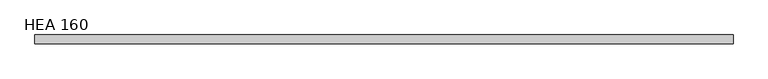
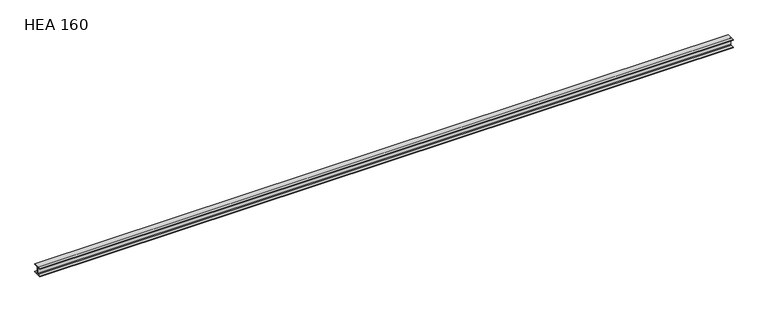
"""IFC4 building model written with IfcOpenShell, lengths in millimetres: beam geometry, HEA 160."""

from ifc_helpers import new_model, si_unit, point, frame, frame_2d, origin, place, context, project, spatial, polyline, circle_curve, trimmed, segment, composite_curve, outline, extrude, source, transform, mapped, element, save


def hea_160_f79b67bb(model_context):
    return source(origin(), model_context, "Body", "SweptSolid", [
        extrude(outline(composite_curve([segment(polyline([(80.0, -67.0), (80.0, -76.0), (-80.0, -76.0), (-80.0, -67.0), (-18.0, -67.0)]), True, "CONTINUOUS"), segment(trimmed(circle_curve(frame_2d((-18.0, -52.0)), 15.0), [point((-18.0, -67.0))], [point((-3.0, -52.0))], True, "CARTESIAN"), True, "CONTINUOUS"), segment(polyline([(-3.0, -52.0), (-3.0, 52.0)]), True, "CONTINUOUS"), segment(trimmed(circle_curve(frame_2d((-18.0, 52.0)), 15.0), [point((-3.0, 52.0))], [point((-18.0, 67.0))], True, "CARTESIAN"), True, "CONTINUOUS"), segment(polyline([(-18.0, 67.0), (-80.0, 67.0), (-80.0, 76.0), (80.0, 76.0), (80.0, 67.0), (18.0, 67.0)]), True, "CONTINUOUS"), segment(trimmed(circle_curve(frame_2d((18.0, 52.0)), 15.0), [point((18.0, 67.0))], [point((3.0, 52.0))], True, "CARTESIAN"), True, "CONTINUOUS"), segment(polyline([(3.0, 52.0), (3.0, -52.0)]), True, "CONTINUOUS"), segment(trimmed(circle_curve(frame_2d((18.0, -52.0)), 15.0), [point((3.0, -52.0))], [point((18.0, -67.0))], True, "CARTESIAN"), True, "CONTINUOUS"), segment(polyline([(18.0, -67.0), (80.0, -67.0)]), True, "CONTINUOUS")], self_intersect=False)), frame((-6304.75, 0.0, 0.0), z_axis=(1.0, 0.0, 0.0), x_axis=(0.0, 1.0, 0.0)), (0.0, 0.0, 1.0), 12609.5),
    ])


if __name__ == "__main__":
    model = new_model("IFC4")
    model_context = context("Model", 3, world=origin())
    ifc_project = project(units=[si_unit("LENGTHUNIT", "METRE", prefix="MILLI")], contexts=[model_context])
    site = spatial("IfcSite", under=ifc_project)
    building = spatial("IfcBuilding", under=site)
    placement = place(None, origin())
    hea_160_shape = hea_160_f79b67bb(model_context)
    element("IfcBeam", 1, ObjectType="HEA 160", at=placement, inside=building, context=model_context, shape_type="MappedRepresentation", body=[
        mapped(hea_160_shape, transform((0.0, 0.0, 0.0), x_axis=(1.0, 0.0, 0.0), y_axis=(0.0, 1.0, 0.0), z_axis=(0.0, 0.0, 1.0))),
    ])
    save(model, "model.ifc")
